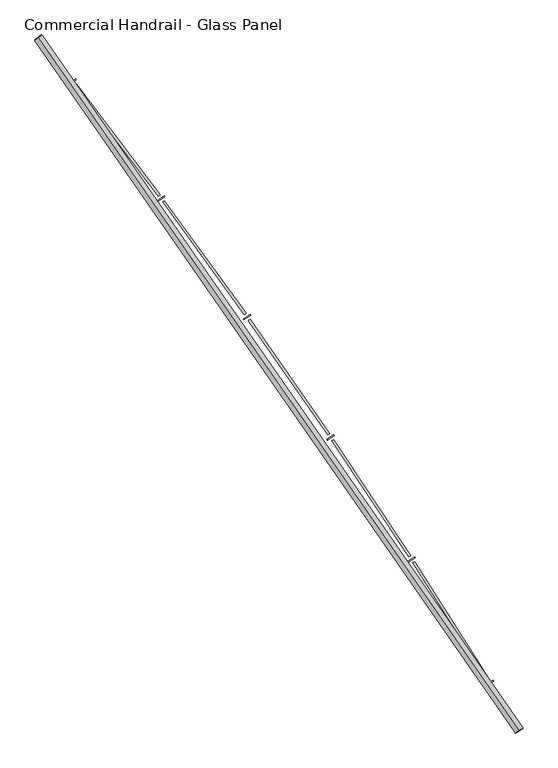
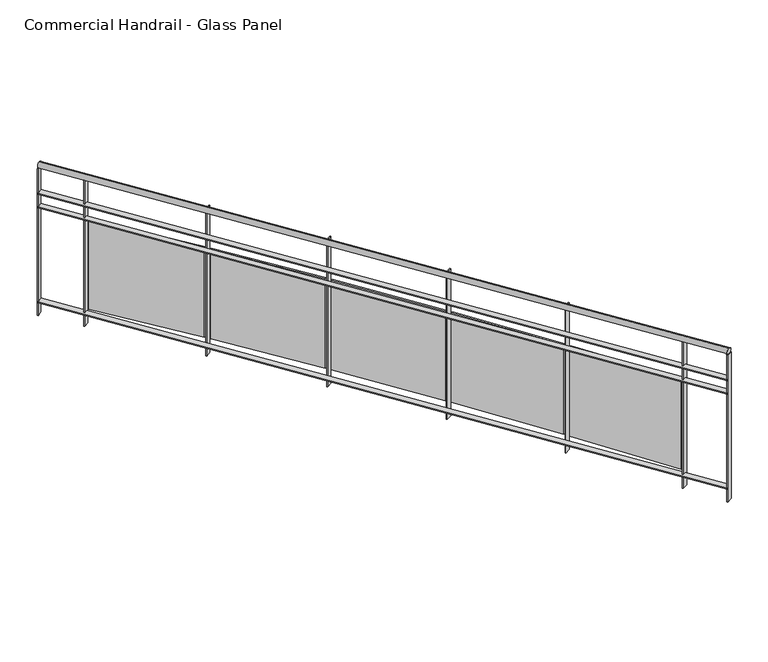
"""IFC4 building model written with IfcOpenShell, lengths in millimetres: railing geometry, Commercial Handrail - Glass Panel."""

from ifc_helpers import new_model, si_unit, point, frame, origin, place, context, project, spatial, polyline, circle_curve, ellipse_curve, trimmed, outline, extrude, source, transform, mapped, element, save
from ifc_brep_helpers import plane_surface, cylinder_surface, revolved_surface, advanced_brep


def commercial_handrail_glass_panel_49ed3354(model_context):
    return source(origin(), model_context, "Body", "SolidModel", [
        advanced_brep(
        [(174947.1226561, -30258.7265853, 33282.5), (172321.2493354, -26475.2644148, 33282.5), (172321.2493354, -26475.2644148, 33317.5), (174947.1226561, -30258.7265853, 33317.5)],
        [
            (0, 1, circle_curve(frame((141591.4318743, -50605.9420988, 33282.5), z_axis=(0.0, 0.0, 1.0), x_axis=(0.7864946016239663, 0.6175971515610791, 0.0)), 39071.873345)),
            (1, 2, ellipse_curve(frame((172321.2493354, -26475.2644148, 33300.0), z_axis=(0.6175971515610738, -0.7864946016239706, 0.0), x_axis=(-0.7864946016239706, -0.6175971515610738, 0.0)), 25.0, 17.5)),
            (2, 3, circle_curve(frame((141591.4318743, -50605.9420988, 33317.5), z_axis=(0.0, 0.0, -1.0), x_axis=(0.7864946016239663, 0.6175971515610791, 0.0)), 39071.873345)),
            (3, 0, ellipse_curve(frame((174947.1226561, -30258.7265853, 33300.0), z_axis=(-0.520763755908061, 0.8537008319853797, 0.0), x_axis=(-0.8537008319853797, -0.520763755908061, 0.0)), 25.0, 17.5)),
            (2, 1, ellipse_curve(frame((172321.2493354, -26475.2644148, 33300.0), z_axis=(0.6175971515610738, -0.7864946016239706, 0.0), x_axis=(-0.7864946016239706, -0.6175971515610738, 0.0)), 25.0, 17.5)),
            (0, 3, ellipse_curve(frame((174947.1226561, -30258.7265853, 33300.0), z_axis=(-0.520763755908061, 0.8537008319853797, 0.0), x_axis=(-0.8537008319853797, -0.520763755908061, 0.0)), 25.0, 17.5)),
        ],
        [
            revolved_surface(trimmed(ellipse_curve(frame((172321.2493354, -26475.2644148, 33300.0), z_axis=(-0.6175971515610791, 0.7864946016239663, 0.0), x_axis=(0.0, 0.0, -1.0)), 17.5, 25.0), [point((172321.2493354, -26475.2644148, 33317.5))], [point((172321.2493354, -26475.2644148, 33282.5))], True, "CARTESIAN"), (141591.4318743, -50605.9420988, 33300.0), (0.0, 0.0, -1.0)),
            revolved_surface(trimmed(ellipse_curve(frame((172321.2493354, -26475.2644148, 33300.0), z_axis=(-0.6175971515610791, 0.7864946016239663, 0.0), x_axis=(0.0, 0.0, -1.0)), 17.5, 25.0), [point((172321.2493354, -26475.2644148, 33282.5))], [point((172321.2493354, -26475.2644148, 33317.5))], True, "CARTESIAN"), (141591.4318743, -50605.9420988, 33300.0), (0.0, 0.0, -1.0)),
            plane_surface(frame((172321.2493354, -26475.2644148, 33300.0), z_axis=(-0.6175971515610791, 0.7864946016239663, 0.0), x_axis=(0.7864946016239663, 0.6175971515610791, 0.0))),
            plane_surface(frame((174947.1226561, -30258.7265853, 33300.0), z_axis=(0.5207637559080605, -0.85370083198538, 0.0), x_axis=(0.85370083198538, 0.5207637559080605, 0.0))),
        ],
        [
            (0, [[1, 2, 3, 4]]),
            (1, [[-3, 5, -1, 6]]),
            (2, [[-2, -5]]),
            (3, [[-6, -4]]),
        ],
    ),
        advanced_brep(
        [(174966.3309248, -30247.0094008, 33100.0), (172338.945464, -26461.3684789, 33100.0), (172303.5532069, -26489.1603507, 33100.0), (174927.9143874, -30270.4437698, 33100.0), (174966.3309248, -30247.0094008, 33094.0), (172338.945464, -26461.3684789, 33094.0), (174927.9143874, -30270.4437698, 33094.0), (172303.5532069, -26489.1603507, 33094.0)],
        [
            (0, 1, circle_curve(frame((141591.4318743, -50605.9420988, 33100.0), z_axis=(0.0, 0.0, 1.0), x_axis=(0.7864946016239663, 0.6175971515610791, 0.0)), 39094.373345)),
            (1, 2),
            (2, 3, circle_curve(frame((141591.4318743, -50605.9420988, 33100.0), z_axis=(0.0, 0.0, -1.0), x_axis=(0.7864946016239663, 0.6175971515610791, 0.0)), 39049.373345)),
            (3, 0),
            (4, 5, circle_curve(frame((141591.4318743, -50605.9420988, 33094.0), z_axis=(0.0, 0.0, 1.0), x_axis=(0.7864946016239663, 0.6175971515610791, 0.0)), 39094.373345)),
            (5, 1),
            (0, 4),
            (6, 7, circle_curve(frame((141591.4318743, -50605.9420988, 33094.0), z_axis=(0.0, 0.0, 1.0), x_axis=(0.7864946016239663, 0.6175971515610791, 0.0)), 39049.373345)),
            (7, 5),
            (4, 6),
            (2, 7),
            (6, 3),
        ],
        [
            plane_surface(frame((141591.4318743, -50605.9420988, 33100.0), z_axis=(0.0, 0.0, 1.0), x_axis=(0.7864946016239663, 0.6175971515610791, 0.0))),
            cylinder_surface(frame((141591.4318743, -50605.9420988, 33100.0), z_axis=(0.0, 0.0, -1.0), x_axis=(0.7864946016239663, 0.6175971515610791, 0.0)), 39094.373345),
            plane_surface(frame((141591.4318743, -50605.9420988, 33094.0), z_axis=(0.0, 0.0, -1.0), x_axis=(0.7864946016239663, 0.6175971515610791, 0.0))),
            revolved_surface(polyline([(172303.55320694132, -26489.160350682872, 33094.0), (172303.55320694132, -26489.160350682872, 33100.0)]), (141591.4318743, -50605.9420988, 33100.0), (0.0, 0.0, -1.0)),
            plane_surface(frame((172321.2493354, -26475.2644148, 33100.0), z_axis=(-0.6175971515610791, 0.7864946016239663, 0.0), x_axis=(0.7864946016239663, 0.6175971515610791, 0.0))),
            plane_surface(frame((174947.1226561, -30258.7265853, 33100.0), z_axis=(0.5207637559080605, -0.85370083198538, 0.0), x_axis=(0.85370083198538, 0.5207637559080605, 0.0))),
        ],
        [
            (0, [[1, 2, 3, 4]]),
            (1, [[5, 6, -1, 7]]),
            (2, [[8, 9, -5, 10]]),
            (3, [[-3, 11, -8, 12]]),
            (4, [[-2, -6, -9, -11]]),
            (5, [[-12, -10, -7, -4]]),
        ],
    ),
        advanced_brep(
        [(174966.3309248, -30247.0094008, 33000.0), (172338.945464, -26461.3684789, 33000.0), (172303.5532069, -26489.1603507, 33000.0), (174927.9143874, -30270.4437698, 33000.0), (174966.3309248, -30247.0094008, 32994.0), (172338.945464, -26461.3684789, 32994.0), (174927.9143874, -30270.4437698, 32994.0), (172303.5532069, -26489.1603507, 32994.0)],
        [
            (0, 1, circle_curve(frame((141591.4318743, -50605.9420988, 33000.0), z_axis=(0.0, 0.0, 1.0), x_axis=(0.7864946016239663, 0.6175971515610791, 0.0)), 39094.373345)),
            (1, 2),
            (2, 3, circle_curve(frame((141591.4318743, -50605.9420988, 33000.0), z_axis=(0.0, 0.0, -1.0), x_axis=(0.7864946016239663, 0.6175971515610791, 0.0)), 39049.373345)),
            (3, 0),
            (4, 5, circle_curve(frame((141591.4318743, -50605.9420988, 32994.0), z_axis=(0.0, 0.0, 1.0), x_axis=(0.7864946016239663, 0.6175971515610791, 0.0)), 39094.373345)),
            (5, 1),
            (0, 4),
            (6, 7, circle_curve(frame((141591.4318743, -50605.9420988, 32994.0), z_axis=(0.0, 0.0, 1.0), x_axis=(0.7864946016239663, 0.6175971515610791, 0.0)), 39049.373345)),
            (7, 5),
            (4, 6),
            (2, 7),
            (6, 3),
        ],
        [
            plane_surface(frame((141591.4318743, -50605.9420988, 33000.0), z_axis=(0.0, 0.0, 1.0), x_axis=(0.7864946016239663, 0.6175971515610791, 0.0))),
            cylinder_surface(frame((141591.4318743, -50605.9420988, 33000.0), z_axis=(0.0, 0.0, -1.0), x_axis=(0.7864946016239663, 0.6175971515610791, 0.0)), 39094.373345),
            plane_surface(frame((141591.4318743, -50605.9420988, 32994.0), z_axis=(0.0, 0.0, -1.0), x_axis=(0.7864946016239663, 0.6175971515610791, 0.0))),
            revolved_surface(polyline([(172303.55320694132, -26489.160350682872, 32994.0), (172303.55320694132, -26489.160350682872, 33000.0)]), (141591.4318743, -50605.9420988, 33000.0), (0.0, 0.0, -1.0)),
            plane_surface(frame((172321.2493354, -26475.2644148, 33000.0), z_axis=(-0.6175971515610791, 0.7864946016239663, 0.0), x_axis=(0.7864946016239663, 0.6175971515610791, 0.0))),
            plane_surface(frame((174947.1226561, -30258.7265853, 33000.0), z_axis=(0.5207637559080605, -0.85370083198538, 0.0), x_axis=(0.85370083198538, 0.5207637559080605, 0.0))),
        ],
        [
            (0, [[1, 2, 3, 4]]),
            (1, [[5, 6, -1, 7]]),
            (2, [[8, 9, -5, 10]]),
            (3, [[-3, 11, -8, 12]]),
            (4, [[-2, -6, -9, -11]]),
            (5, [[-12, -10, -7, -4]]),
        ],
    ),
        advanced_brep(
        [(174966.3309248, -30247.0094008, 32300.0), (172338.945464, -26461.3684789, 32300.0), (172303.5532069, -26489.1603507, 32300.0), (174927.9143874, -30270.4437698, 32300.0), (174966.3309248, -30247.0094008, 32294.0), (172338.945464, -26461.3684789, 32294.0), (174927.9143874, -30270.4437698, 32294.0), (172303.5532069, -26489.1603507, 32294.0)],
        [
            (0, 1, circle_curve(frame((141591.4318743, -50605.9420988, 32300.0), z_axis=(0.0, 0.0, 1.0), x_axis=(0.7864946016239663, 0.6175971515610791, 0.0)), 39094.373345)),
            (1, 2),
            (2, 3, circle_curve(frame((141591.4318743, -50605.9420988, 32300.0), z_axis=(0.0, 0.0, -1.0), x_axis=(0.7864946016239663, 0.6175971515610791, 0.0)), 39049.373345)),
            (3, 0),
            (4, 5, circle_curve(frame((141591.4318743, -50605.9420988, 32294.0), z_axis=(0.0, 0.0, 1.0), x_axis=(0.7864946016239663, 0.6175971515610791, 0.0)), 39094.373345)),
            (5, 1),
            (0, 4),
            (6, 7, circle_curve(frame((141591.4318743, -50605.9420988, 32294.0), z_axis=(0.0, 0.0, 1.0), x_axis=(0.7864946016239663, 0.6175971515610791, 0.0)), 39049.373345)),
            (7, 5),
            (4, 6),
            (2, 7),
            (6, 3),
        ],
        [
            plane_surface(frame((141591.4318743, -50605.9420988, 32300.0), z_axis=(0.0, 0.0, 1.0), x_axis=(0.7864946016239663, 0.6175971515610791, 0.0))),
            cylinder_surface(frame((141591.4318743, -50605.9420988, 32300.0), z_axis=(0.0, 0.0, -1.0), x_axis=(0.7864946016239663, 0.6175971515610791, 0.0)), 39094.373345),
            plane_surface(frame((141591.4318743, -50605.9420988, 32294.0), z_axis=(0.0, 0.0, -1.0), x_axis=(0.7864946016239663, 0.6175971515610791, 0.0))),
            revolved_surface(polyline([(172303.55320694132, -26489.160350682872, 32294.0), (172303.55320694132, -26489.160350682872, 32300.0)]), (141591.4318743, -50605.9420988, 32300.0), (0.0, 0.0, -1.0)),
            plane_surface(frame((172321.2493354, -26475.2644148, 32300.0), z_axis=(-0.6175971515610791, 0.7864946016239663, 0.0), x_axis=(0.7864946016239663, 0.6175971515610791, 0.0))),
            plane_surface(frame((174947.1226561, -30258.7265853, 32300.0), z_axis=(0.5207637559080605, -0.85370083198538, 0.0), x_axis=(0.85370083198538, 0.5207637559080605, 0.0))),
        ],
        [
            (0, [[1, 2, 3, 4]]),
            (1, [[5, 6, -1, 7]]),
            (2, [[8, 9, -5, 10]]),
            (3, [[-3, 11, -8, 12]]),
            (4, [[-2, -6, -9, -11]]),
            (5, [[-12, -10, -7, -4]]),
        ],
    ),
        extrude(outline(polyline([(174767.0827529, -30009.1035934), (174805.3157733, -29985.3709966), (174808.4801195, -29990.4687326), (174770.2470991, -30014.2013295), (174767.0827529, -30009.1035934)])), frame((0.0, 0.0, 32200.0), z_axis=(0.0, 0.0, 1.0), x_axis=(1.0, 0.0, 0.0)), (0.0, 0.0, 1.0), 1082.1192282),
        extrude(outline(polyline([(174376.4508905, -29337.0184477), (174783.8574789, -29978.5945319), (174773.7273302, -29985.0272675), (174366.3207418, -29343.4511834), (174376.4508905, -29337.0184477)])), frame((0.0, 0.0, 32320.0), z_axis=(0.0, 0.0, 1.0), x_axis=(1.0, 0.0, 0.0)), (0.0, 0.0, 1.0), 660.0),
        extrude(outline(polyline([(174338.4363039, -29334.1939685), (174376.1754174, -29309.6835764), (174379.4434696, -29314.7154582), (174341.7043562, -29339.2258503), (174338.4363039, -29334.1939685)])), frame((0.0, 0.0, 32200.0), z_axis=(0.0, 0.0, 1.0), x_axis=(1.0, 0.0, 0.0)), (0.0, 0.0, 1.0), 1082.1192282),
        extrude(outline(polyline([(173934.1262806, -28670.2473592), (174354.5828818, -29303.3478619), (174344.5865581, -29309.9866503), (173924.1299568, -28676.8861476), (173934.1262806, -28670.2473592)])), frame((0.0, 0.0, 32320.0), z_axis=(0.0, 0.0, 1.0), x_axis=(1.0, 0.0, 0.0)), (0.0, 0.0, 1.0), 660.0),
        extrude(outline(polyline([(173896.0618347, -28668.2017695), (173933.2912204, -28642.9238574), (173936.6616087, -28647.8877755), (173899.432223, -28673.1656876), (173896.0618347, -28668.2017695)])), frame((0.0, 0.0, 32200.0), z_axis=(0.0, 0.0, 1.0), x_axis=(1.0, 0.0, 0.0)), (0.0, 0.0, 1.0), 1082.1192282),
        extrude(outline(polyline([(173478.243143, -28012.6720327), (173911.5734956, -28637.031549), (173901.7151874, -28643.8736072), (173468.3848349, -28019.5140909), (173478.243143, -28012.6720327)])), frame((0.0, 0.0, 32320.0), z_axis=(0.0, 0.0, 1.0), x_axis=(1.0, 0.0, 0.0)), (0.0, 0.0, 1.0), 660.0),
        extrude(outline(polyline([(173440.1447951, -28011.4061902), (173476.848846, -27985.3713549), (173480.3201573, -27990.2652284), (173443.6161065, -28016.3000637), (173440.1447951, -28011.4061902)])), frame((0.0, 0.0, 32200.0), z_axis=(0.0, 0.0, 1.0), x_axis=(1.0, 0.0, 0.0)), (0.0, 0.0, 1.0), 1082.1192282),
        extrude(outline(polyline([(173008.9925907, -27364.5681335), (173455.0150362, -27979.9249228), (173445.2988764, -27986.9673824), (172999.2764309, -27371.6105932), (173008.9925907, -27364.5681335)])), frame((0.0, 0.0, 32320.0), z_axis=(0.0, 0.0, 1.0), x_axis=(1.0, 0.0, 0.0)), (0.0, 0.0, 1.0), 660.0),
        extrude(outline(polyline([(172970.876312, -27364.0825688), (173007.0396412, -27337.3017244), (173010.6104205, -27342.1235017), (172974.4470913, -27368.904346), (172970.876312, -27364.0825688)])), frame((0.0, 0.0, 32200.0), z_axis=(0.0, 0.0, 1.0), x_axis=(1.0, 0.0, 0.0)), (0.0, 0.0, 1.0), 1082.1192282),
        extrude(outline(polyline([(172526.5713403, -26726.207356), (172985.0988996, -27332.3034518), (172975.5289613, -27339.5433607), (172517.0014019, -26733.4472649), (172526.5713403, -26726.207356)])), frame((0.0, 0.0, 32320.0), z_axis=(0.0, 0.0, 1.0), x_axis=(1.0, 0.0, 0.0)), (0.0, 0.0, 1.0), 660.0),
        extrude(outline(polyline([(172488.4531098, -26726.5022727), (172524.0605571, -26698.9866462), (172527.7293072, -26703.7343059), (172492.12186, -26731.2499323), (172488.4531098, -26726.5022727)])), frame((0.0, 0.0, 32200.0), z_axis=(0.0, 0.0, 1.0), x_axis=(1.0, 0.0, 0.0)), (0.0, 0.0, 1.0), 1082.1192282),
        extrude(outline(polyline([(174926.3520961, -30267.8826673), (174964.7686336, -30244.4482983), (174967.8932161, -30249.5705033), (174929.4766787, -30273.0048723), (174926.3520961, -30267.8826673)])), frame((0.0, 0.0, 32200.0), z_axis=(0.0, 0.0, 1.0), x_axis=(1.0, 0.0, 0.0)), (0.0, 0.0, 1.0), 1082.1192282),
        extrude(outline(polyline([(172301.7004154, -26486.8008669), (172337.0926725, -26459.0089951), (172340.7982554, -26463.7279627), (172305.4059984, -26491.5198345), (172301.7004154, -26486.8008669)])), frame((0.0, 0.0, 32200.0), z_axis=(0.0, 0.0, 1.0), x_axis=(1.0, 0.0, 0.0)), (0.0, 0.0, 1.0), 1082.1192282),
    ])


if __name__ == "__main__":
    model = new_model("IFC4")
    model_context = context("Model", 3, world=origin())
    ifc_project = project(units=[si_unit("LENGTHUNIT", "METRE", prefix="MILLI")], contexts=[model_context])
    site = spatial("IfcSite", under=ifc_project)
    building = spatial("IfcBuilding", under=site)
    placement = place(None, origin())
    commercial_handrail_glass_panel_shape = commercial_handrail_glass_panel_49ed3354(model_context)
    element("IfcRailing", 1, ObjectType="Commercial Handrail - Glass Panel", at=placement, inside=building, context=model_context, shape_type="MappedRepresentation", body=[
        mapped(commercial_handrail_glass_panel_shape, transform((0.0, 0.0, 0.0), x_axis=(1.0, 0.0, 0.0), y_axis=(0.0, 1.0, 0.0), z_axis=(0.0, 0.0, 1.0))),
    ])
    save(model, "model.ifc")
